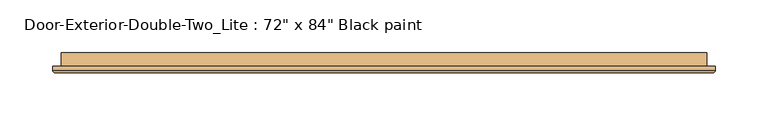
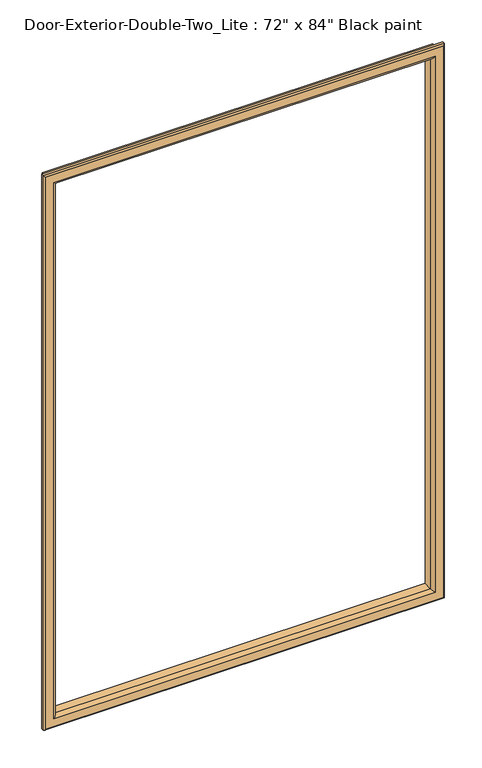
"""IFC4 building model written with IfcOpenShell, lengths in millimetres: door geometry."""

from ifc_helpers import new_model, si_unit, frame, origin, place, context, project, spatial, ellipse_curve, source, transform, mapped, element, save
from ifc_brep_helpers import plane_surface, cylinder_surface, advanced_brep


def door_b18059e4(model_context):
    return source(origin(), model_context, "Body", "AdvancedBrep", [
        advanced_brep(
        [(-762.0, 101.6, 1117.6), (-762.0, 88.9, 1117.6), (-762.0, 88.9, 2016.125), (-762.0, 101.6, 2016.125), (-750.0, 87.9, 1129.6), (-750.0, 101.6, 1129.6), (-750.0, 101.6, 2004.125), (-750.0, 87.9, 2004.125), (-755.0, 82.9, 1124.6), (-755.0, 82.9, 2009.125), (-770.0, 84.9, 1109.6), (-768.0, 82.9, 1111.6), (-768.0, 82.9, 2022.125), (-770.0, 84.9, 2024.125), (-770.0, 88.9, 1109.6), (-770.0, 88.9, 2024.125), (-152.4, 88.9, 2016.125), (-152.4, 101.6, 2016.125), (-164.4, 101.6, 2004.125), (-164.4, 87.9, 2004.125), (-159.4, 82.9, 2009.125), (-146.4, 82.9, 2022.125), (-144.4, 84.9, 2024.125), (-144.4, 88.9, 2024.125), (-152.4, 88.9, 1117.6), (-152.4, 101.6, 1117.6), (-164.4, 101.6, 1129.6), (-164.4, 87.9, 1129.6), (-159.4, 82.9, 1124.6), (-146.4, 82.9, 1111.6), (-144.4, 84.9, 1109.6), (-144.4, 88.9, 1109.6)],
        [
            (0, 1),
            (1, 2),
            (2, 3),
            (3, 0),
            (4, 5),
            (5, 6),
            (6, 7),
            (7, 4),
            (8, 4, ellipse_curve(frame((-755.0, 87.9, 1124.6), z_axis=(-0.7071067811865475, 0.0, 0.7071067811865475), x_axis=(-0.7071067811865474, 0.0, -0.7071067811865476)), 7.0710678, 5.0)),
            (7, 9, ellipse_curve(frame((-755.0, 87.9, 2009.125), z_axis=(-0.7071067811865475, 0.0, -0.7071067811865475), x_axis=(0.7071067811865474, 0.0, -0.7071067811865476)), 7.0710678, 5.0)),
            (9, 8),
            (10, 11, ellipse_curve(frame((-768.0, 84.9, 1111.6), z_axis=(-0.7071067811865475, 0.0, 0.7071067811865475), x_axis=(-0.7071067811865474, 0.0, -0.7071067811865476)), 2.8284271, 2.0)),
            (11, 12),
            (12, 13, ellipse_curve(frame((-768.0, 84.9, 2022.125), z_axis=(-0.7071067811865475, 0.0, -0.7071067811865475), x_axis=(0.7071067811865474, 0.0, -0.7071067811865476)), 2.8284271, 2.0)),
            (13, 10),
            (14, 10),
            (13, 15),
            (15, 14),
            (2, 16),
            (16, 17),
            (17, 3),
            (6, 18),
            (18, 19),
            (19, 7),
            (19, 20, ellipse_curve(frame((-159.4, 87.9, 2009.125), z_axis=(-0.7071067811865475, 0.0, 0.7071067811865475), x_axis=(-0.7071067811865476, 0.0, -0.7071067811865474)), 7.0710678, 5.0)),
            (20, 9),
            (12, 21),
            (21, 22, ellipse_curve(frame((-146.4, 84.9, 2022.125), z_axis=(-0.7071067811865475, 0.0, 0.7071067811865475), x_axis=(-0.7071067811865476, 0.0, -0.7071067811865474)), 2.8284271, 2.0)),
            (22, 13),
            (22, 23),
            (23, 15),
            (16, 24),
            (24, 25),
            (25, 17),
            (18, 26),
            (26, 27),
            (27, 19),
            (27, 28, ellipse_curve(frame((-159.4, 87.9, 1124.6), z_axis=(0.7071067811865475, 0.0, 0.7071067811865475), x_axis=(-0.7071067811865474, 0.0, 0.7071067811865476)), 7.0710678, 5.0)),
            (28, 20),
            (21, 29),
            (29, 30, ellipse_curve(frame((-146.4, 84.9, 1111.6), z_axis=(0.7071067811865475, 0.0, 0.7071067811865475), x_axis=(-0.7071067811865474, 0.0, 0.7071067811865476)), 2.8284271, 2.0)),
            (30, 22),
            (30, 31),
            (31, 23),
            (31, 14),
            (1, 24),
            (0, 25),
            (5, 26),
            (4, 27),
            (8, 28),
            (11, 29),
            (10, 30),
        ],
        [
            plane_surface(frame((-762.0, 88.9, 1117.6), z_axis=(-1.0, 0.0, 0.0), x_axis=(0.0, 0.0, 1.0))),
            plane_surface(frame((-750.0, 101.6, 1129.6), z_axis=(1.0, 0.0, 0.0), x_axis=(0.0, 0.0, 1.0))),
            cylinder_surface(frame((-755.0, 87.9, 1117.6), z_axis=(0.0, 0.0, -1.0), x_axis=(-1.0, 0.0, 0.0)), 5.0),
            cylinder_surface(frame((-768.0, 84.9, 1117.6), z_axis=(0.0, 0.0, -1.0), x_axis=(-1.0, 0.0, 0.0)), 2.0),
            plane_surface(frame((-770.0, 84.9, 1109.6), z_axis=(-1.0, 0.0, 0.0), x_axis=(0.0, 0.0, 1.0))),
            plane_surface(frame((-762.0, 88.9, 2016.125), z_axis=(0.0, 0.0, 1.0), x_axis=(1.0, 0.0, 0.0))),
            plane_surface(frame((-750.0, 101.6, 2004.125), z_axis=(0.0, 0.0, -1.0), x_axis=(1.0, 0.0, 0.0))),
            cylinder_surface(frame((-762.0, 87.9, 2009.125), z_axis=(-1.0, 0.0, 0.0), x_axis=(0.0, 0.0, 1.0)), 5.0),
            cylinder_surface(frame((-762.0, 84.9, 2022.125), z_axis=(-1.0, 0.0, 0.0), x_axis=(0.0, 0.0, 1.0)), 2.0),
            plane_surface(frame((-770.0, 84.9, 2024.125), z_axis=(0.0, 0.0, 1.0), x_axis=(1.0, 0.0, 0.0))),
            plane_surface(frame((-152.4, 88.9, 2016.125), z_axis=(1.0, 0.0, 0.0), x_axis=(0.0, 0.0, -1.0))),
            plane_surface(frame((-164.4, 101.6, 2004.125), z_axis=(-1.0, 0.0, 0.0), x_axis=(0.0, 0.0, -1.0))),
            cylinder_surface(frame((-159.4, 87.9, 2016.125), z_axis=(0.0, 0.0, 1.0), x_axis=(1.0, 0.0, 0.0)), 5.0),
            cylinder_surface(frame((-146.4, 84.9, 2016.125), z_axis=(0.0, 0.0, 1.0), x_axis=(1.0, 0.0, 0.0)), 2.0),
            plane_surface(frame((-144.4, 84.9, 2024.125), z_axis=(1.0, 0.0, 0.0), x_axis=(0.0, 0.0, -1.0))),
            plane_surface(frame((-144.4, 88.9, 1109.6), z_axis=(0.0, 1.0, 0.0), x_axis=(-1.0, 0.0, 0.0))),
            plane_surface(frame((-152.4, 88.9, 1117.6), z_axis=(0.0, 0.0, -1.0), x_axis=(-1.0, 0.0, 0.0))),
            plane_surface(frame((-152.4, 101.6, 1117.6), z_axis=(0.0, 1.0, 0.0), x_axis=(-1.0, 0.0, 0.0))),
            plane_surface(frame((-164.4, 101.6, 1129.6), z_axis=(0.0, 0.0, 1.0), x_axis=(-1.0, 0.0, 0.0))),
            cylinder_surface(frame((-152.4, 87.9, 1124.6), z_axis=(1.0, 0.0, 0.0), x_axis=(0.0, 0.0, -1.0)), 5.0),
            plane_surface(frame((-159.4, 82.9, 1124.6), z_axis=(0.0, -1.0, 0.0), x_axis=(-1.0, 0.0, 0.0))),
            cylinder_surface(frame((-152.4, 84.9, 1111.6), z_axis=(1.0, 0.0, 0.0), x_axis=(0.0, 0.0, -1.0)), 2.0),
            plane_surface(frame((-144.4, 84.9, 1109.6), z_axis=(0.0, 0.0, -1.0), x_axis=(-1.0, 0.0, 0.0))),
        ],
        [
            (0, [[1, 2, 3, 4]]),
            (1, [[5, 6, 7, 8]]),
            (2, [[9, -8, 10, 11]]),
            (3, [[12, 13, 14, 15]]),
            (4, [[16, -15, 17, 18]]),
            (5, [[-3, 19, 20, 21]]),
            (6, [[-7, 22, 23, 24]]),
            (7, [[-10, -24, 25, 26]]),
            (8, [[-14, 27, 28, 29]]),
            (9, [[-17, -29, 30, 31]]),
            (10, [[-20, 32, 33, 34]]),
            (11, [[-23, 35, 36, 37]]),
            (12, [[-25, -37, 38, 39]]),
            (13, [[-28, 40, 41, 42]]),
            (14, [[-30, -42, 43, 44]]),
            (15, [[-31, -44, 45, -18], [46, -32, -19, -2]]),
            (16, [[-33, -46, -1, 47]]),
            (17, [[-21, -34, -47, -4], [48, -35, -22, -6]]),
            (18, [[-36, -48, -5, 49]]),
            (19, [[-38, -49, -9, 50]]),
            (20, [[51, -40, -27, -13], [-26, -39, -50, -11]]),
            (21, [[-41, -51, -12, 52]]),
            (22, [[-43, -52, -16, -45]]),
        ],
    ),
    ])


if __name__ == "__main__":
    model = new_model("IFC4")
    model_context = context("Model", 3, world=origin())
    ifc_project = project(units=[si_unit("LENGTHUNIT", "METRE", prefix="MILLI")], contexts=[model_context])
    site = spatial("IfcSite", under=ifc_project)
    building = spatial("IfcBuilding", under=site)
    placement = place(None, origin())
    door_shape = door_b18059e4(model_context)
    element("IfcDoor", 1, ObjectType="Door-Exterior-Double-Two_Lite : 72\" x 84\" Black paint", at=placement, inside=building, context=model_context, shape_type="MappedRepresentation", body=[
        mapped(door_shape, transform((0.0, 0.0, 0.0), x_axis=(1.0, 0.0, 0.0), y_axis=(0.0, 1.0, 0.0), z_axis=(0.0, 0.0, 1.0))),
    ])
    save(model, "model.ifc")
